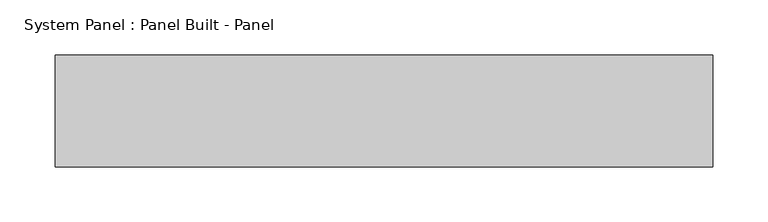
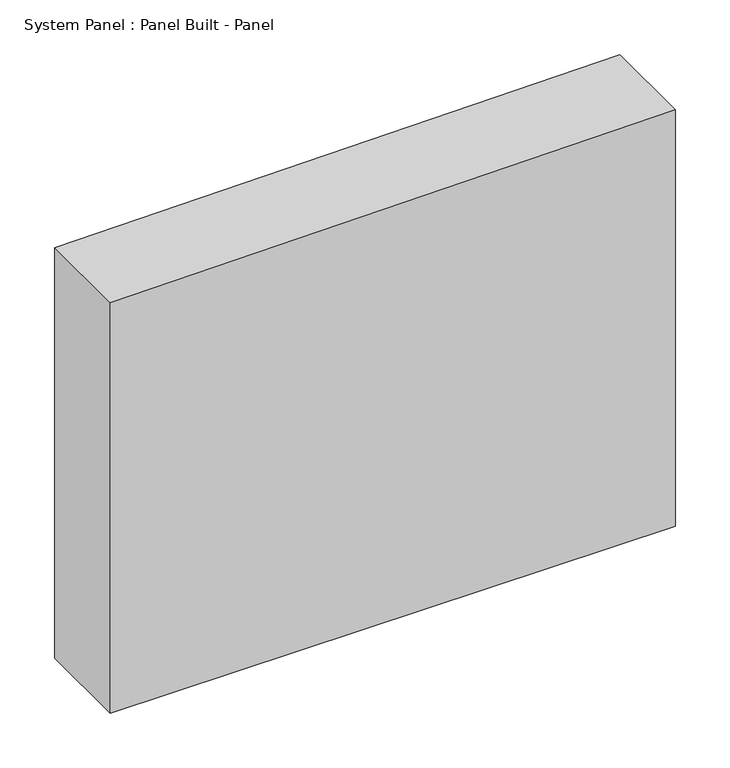
"""IFC4 building model written with IfcOpenShell, lengths in millimetres: plate geometry, System Panel : Panel Built - Panel."""

from ifc_helpers import new_model, si_unit, frame, origin, place, context, project, spatial, polyline, outline, extrude, source, transform, mapped, element, save


def system_panel_panel_built_panel_2a105710(model_context):
    return source(origin(), model_context, "Body", "SweptSolid", [
        extrude(outline(polyline([(0.0, -298.45), (0.0, 298.45), (464.4760417, 298.45), (458.2583333, -298.45), (0.0, -298.45)])), frame((0.0, -50.8, 0.0), z_axis=(0.0, 1.0, 0.0), x_axis=(0.0, 0.0, 1.0)), (0.0, 0.0, 1.0), 101.6),
    ])


if __name__ == "__main__":
    model = new_model("IFC4")
    model_context = context("Model", 3, world=origin())
    ifc_project = project(units=[si_unit("LENGTHUNIT", "METRE", prefix="MILLI")], contexts=[model_context])
    site = spatial("IfcSite", under=ifc_project)
    building = spatial("IfcBuilding", under=site)
    placement = place(None, origin())
    system_panel_panel_built_panel_shape = system_panel_panel_built_panel_2a105710(model_context)
    element("IfcPlate", 1, ObjectType="System Panel : Panel Built - Panel", at=placement, inside=building, context=model_context, shape_type="MappedRepresentation", body=[
        mapped(system_panel_panel_built_panel_shape, transform((0.0, 0.0, 0.0), x_axis=(1.0, 0.0, 0.0), y_axis=(0.0, 1.0, 0.0), z_axis=(0.0, 0.0, 1.0))),
    ])
    save(model, "model.ifc")
